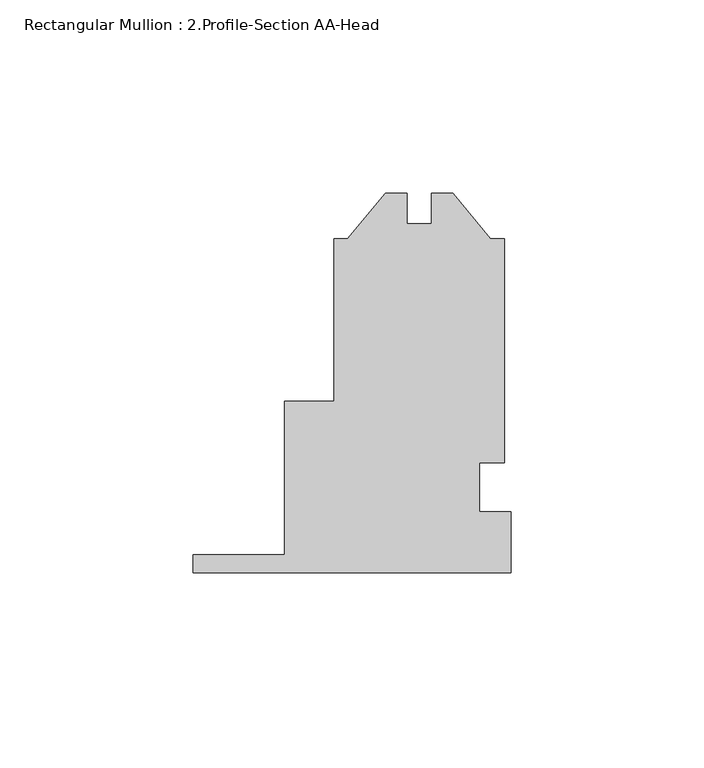
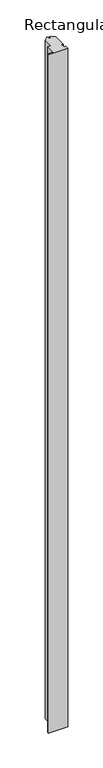
"""IFC4 building model written with IfcOpenShell, lengths in millimetres: member geometry, Rectangular Mullion : 2.Profile-Section AA-Head."""

from ifc_helpers import new_model, si_unit, frame, origin, place, context, project, spatial, polyline, outline, extrude, source, transform, mapped, element, save


def rectangular_mullion_2_profile_section_aa_head_90d7c6ab(model_context):
    return source(origin(), model_context, "Body", "SweptSolid", [
        extrude(outline(polyline([(-82.4357, -44.45), (-82.4357, -39.6748), (-58.6105, -39.6748), (-58.6105, 0.0), (-45.9105, 0.0), (-45.9105, 42.0624), (-42.331336, 42.0624), (-32.5628, 53.96865), (-26.9875, 53.96865), (-26.9875, 46.0248), (-20.6375, 46.0248), (-20.6375, 53.96865), (-15.0622, 53.96865), (-5.293664, 42.0624), (-1.7145, 42.0624), (-1.7145, -15.875), (-8.128, -15.875), (-8.128, -28.575), (0.0, -28.575), (0.0, -44.45), (-82.4357, -44.45)])), frame((0.0, 0.0, -3048.0), z_axis=(0.0, 0.0, 1.0), x_axis=(1.0, 0.0, 0.0)), (0.0, 0.0, 1.0), 3048.0),
    ])


if __name__ == "__main__":
    model = new_model("IFC4")
    model_context = context("Model", 3, world=origin())
    ifc_project = project(units=[si_unit("LENGTHUNIT", "METRE", prefix="MILLI")], contexts=[model_context])
    site = spatial("IfcSite", under=ifc_project)
    building = spatial("IfcBuilding", under=site)
    placement = place(None, origin())
    rectangular_mullion_2_profile_section_aa_head_shape = rectangular_mullion_2_profile_section_aa_head_90d7c6ab(model_context)
    element("IfcMember", 1, ObjectType="Rectangular Mullion : 2.Profile-Section AA-Head", at=placement, inside=building, context=model_context, shape_type="MappedRepresentation", body=[
        mapped(rectangular_mullion_2_profile_section_aa_head_shape, transform((0.0, 0.0, 0.0), x_axis=(1.0, 0.0, 0.0), y_axis=(0.0, 1.0, 0.0), z_axis=(0.0, 0.0, 1.0))),
    ])
    save(model, "model.ifc")
